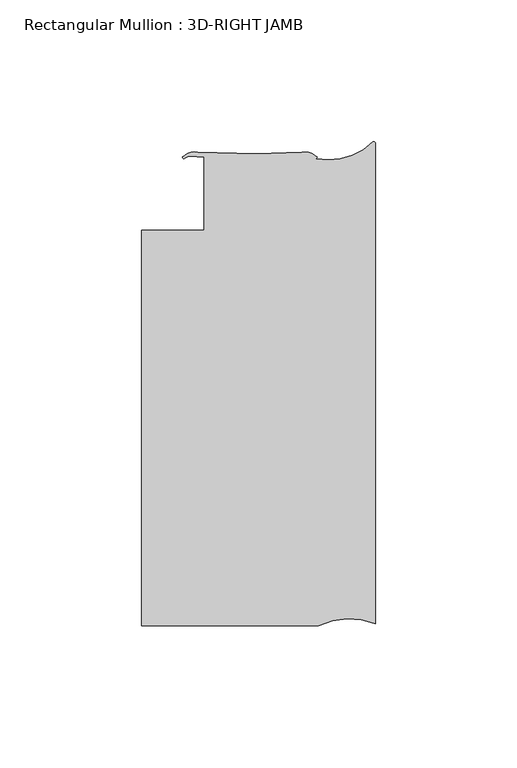
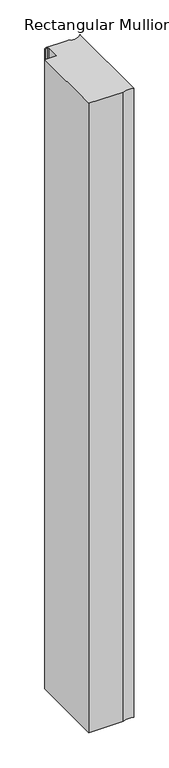
"""IFC4 building model written with IfcOpenShell, lengths in millimetres: member geometry, Rectangular Mullion : 3D-RIGHT JAMB."""

from ifc_helpers import new_model, si_unit, point, frame, frame_2d, origin, place, context, project, spatial, polyline, circle_curve, trimmed, segment, composite_curve, outline, extrude, source, transform, mapped, element, save


def rectangular_mullion_3d_right_jamb_ebf88c5b(model_context):
    return source(origin(), model_context, "Body", "SweptSolid", [
        extrude(outline(composite_curve([segment(polyline([(-20.0963261, -167.6168773), (-82.7624924, -167.6168773), (-82.7624924, -27.9168823), (-60.5419882, -27.9168823), (-60.5419882, -1.8829687), (-63.0963214, -1.8102896)]), True, "CONTINUOUS"), segment(trimmed(circle_curve(frame_2d((-64.5495981, -7.5446446)), 5.9156437), [point((-63.0963214, -1.8102896))], [point((-67.5034782, -2.4192732))], True, "CARTESIAN"), True, "CONTINUOUS"), segment(trimmed(circle_curve(frame_2d((-67.7627315, -2.0944019)), 0.4156364), [point((-67.5034782, -2.4192732))], [point((-68.0818732, -1.8281273))], False, "CARTESIAN"), True, "CONTINUOUS"), segment(trimmed(circle_curve(frame_2d((-64.0102162, -6.1095567)), 5.9083862), [point((-68.0818732, -1.8281273))], [point((-62.9891992, -0.2900591))], False, "CARTESIAN"), True, "CONTINUOUS"), segment(polyline([(-62.9891992, -0.2900591), (-42.2708685, -0.8565602), (-25.9390512, -0.368936)]), True, "CONTINUOUS"), segment(trimmed(circle_curve(frame_2d((-24.8202291, -6.1960766)), 5.9335766), [point((-25.9390512, -0.368936))], [point((-20.8094174, -1.823352))], False, "CARTESIAN"), True, "CONTINUOUS"), segment(trimmed(circle_curve(frame_2d((-21.1241586, -2.0948139)), 0.4156364), [point((-20.8094174, -1.823352))], [point((-21.1155372, -2.5103609))], False, "CARTESIAN"), True, "CONTINUOUS"), segment(trimmed(circle_curve(frame_2d((-16.3790646, 18.7220367)), 21.7542841), [point((-21.1155372, -2.5103609))], [point((-0.9068806, 3.4295418))], True, "CARTESIAN"), True, "CONTINUOUS"), segment(trimmed(circle_curve(frame_2d((-0.635, 2.85569)), 0.635), [point((-0.9068806, 3.4295418))], [point((0.0, 2.85569))], False, "CARTESIAN"), True, "CONTINUOUS"), segment(polyline([(0.0, 2.85569), (0.0, -166.9021807)]), True, "CONTINUOUS"), segment(trimmed(circle_curve(frame_2d((-9.2332881, -190.172742)), 25.0354275), [point((0.0, -166.9021807))], [point((-20.0963261, -167.6168773))], True, "CARTESIAN"), True, "CONTINUOUS")], self_intersect=False)), frame((0.0, 0.0, -1219.2), z_axis=(0.0, 0.0, 1.0), x_axis=(1.0, 0.0, 0.0)), (0.0, 0.0, 1.0), 1219.2),
    ])


if __name__ == "__main__":
    model = new_model("IFC4")
    model_context = context("Model", 3, world=origin())
    ifc_project = project(units=[si_unit("LENGTHUNIT", "METRE", prefix="MILLI")], contexts=[model_context])
    site = spatial("IfcSite", under=ifc_project)
    building = spatial("IfcBuilding", under=site)
    placement = place(None, origin())
    rectangular_mullion_3d_right_jamb_shape = rectangular_mullion_3d_right_jamb_ebf88c5b(model_context)
    element("IfcMember", 1, ObjectType="Rectangular Mullion : 3D-RIGHT JAMB", at=placement, inside=building, context=model_context, shape_type="MappedRepresentation", body=[
        mapped(rectangular_mullion_3d_right_jamb_shape, transform((0.0, 0.0, 0.0), x_axis=(1.0, 0.0, 0.0), y_axis=(0.0, 1.0, 0.0), z_axis=(0.0, 0.0, 1.0))),
    ])
    save(model, "model.ifc")
